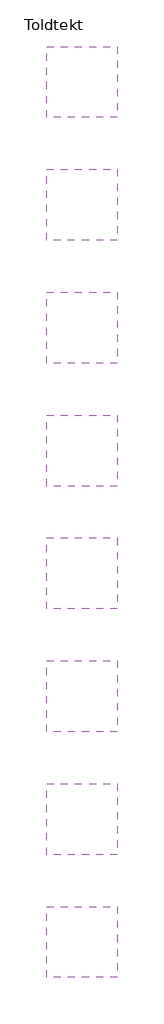
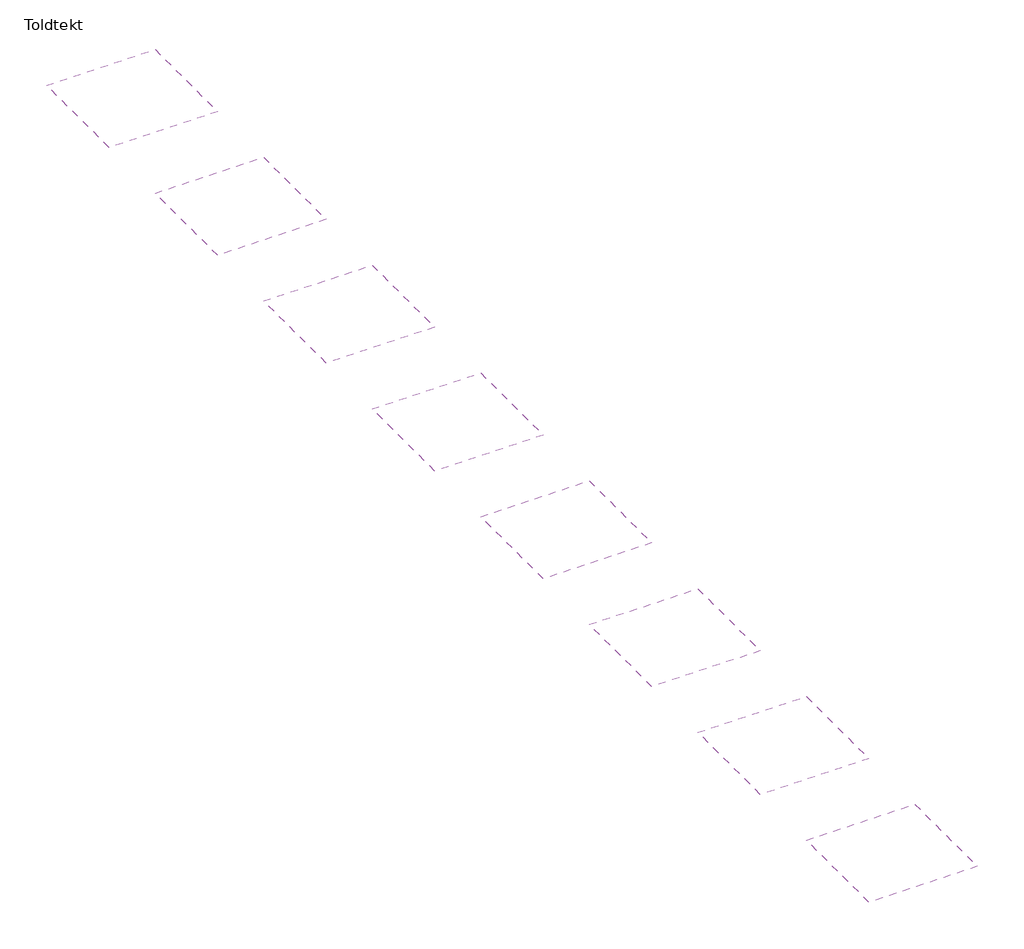
# One storey: 8 coverings.
"""IFC4 building model written with IfcOpenShell, lengths in millimetres."""

from ifc_helpers import new_model, si_unit, frame, origin, place, context, project, spatial, polyline, outline, extrude, element, save

model = new_model("IFC4")

# Units and contexts
model_context = context("Model", 3, world=origin())
ifc_project = project(units=[si_unit("LENGTHUNIT", "METRE", prefix="MILLI")], contexts=[model_context])

# Site, building, storey
site = spatial("IfcSite", under=ifc_project)
building = spatial("IfcBuilding", under=site)
storey = spatial("IfcBuildingStorey", under=building, Name="Toldtekt", Elevation=0.0)

# Coverings
placement = place(None, origin())
element("IfcCovering", 1, at=placement, inside=storey, context=model_context, shape_type="SweptSolid", body=[
    extrude(outline(polyline([(17169.5723108, 34562.9855223), (17169.5723108, 31562.9855223), (14169.5723108, 31562.9855223), (14169.5723108, 34562.9855223), (17169.5723108, 34562.9855223)])), frame((0.0, 0.0, 2600.0), z_axis=(0.0, 0.0, 1.0), x_axis=(1.0, 0.0, 0.0)), (0.0, 0.0, 1.0), 82.8),
])
element("IfcCovering", 2, at=placement, inside=storey, context=model_context, shape_type="SweptSolid", body=[
    extrude(outline(polyline([(17169.5723108, 29362.9976165), (17169.5723108, 26362.9976165), (14169.5723108, 26362.9976165), (14169.5723108, 29362.9976165), (17169.5723108, 29362.9976165)])), frame((0.0, 0.0, 2600.0), z_axis=(0.0, 0.0, 1.0), x_axis=(1.0, 0.0, 0.0)), (0.0, 0.0, 1.0), 82.8),
])
element("IfcCovering", 3, at=placement, inside=storey, context=model_context, shape_type="SweptSolid", body=[
    extrude(outline(polyline([(17169.5723108, 24163.0097108), (17169.5723108, 21163.0097108), (14169.5723108, 21163.0097108), (14169.5723108, 24163.0097108), (17169.5723108, 24163.0097108)])), frame((0.0, 0.0, 2600.0), z_axis=(0.0, 0.0, 1.0), x_axis=(1.0, 0.0, 0.0)), (0.0, 0.0, 1.0), 82.8),
])
element("IfcCovering", 4, at=placement, inside=storey, context=model_context, shape_type="SweptSolid", body=[
    extrude(outline(polyline([(17169.5723108, 13763.0338993), (17169.5723108, 10763.0338993), (14169.5723108, 10763.0338993), (14169.5723108, 13763.0338993), (17169.5723108, 13763.0338993)])), frame((0.0, 0.0, 2600.0), z_axis=(0.0, 0.0, 1.0), x_axis=(1.0, 0.0, 0.0)), (0.0, 0.0, 1.0), 82.8),
])
element("IfcCovering", 5, at=placement, inside=storey, context=model_context, shape_type="SweptSolid", body=[
    extrude(outline(polyline([(17169.5723108, 8563.0459935), (17169.5723108, 5563.0459935), (14169.5723108, 5563.0459935), (14169.5723108, 8563.0459935), (17169.5723108, 8563.0459935)])), frame((0.0, 0.0, 2600.0), z_axis=(0.0, 0.0, 1.0), x_axis=(1.0, 0.0, 0.0)), (0.0, 0.0, 1.0), 82.8),
])
element("IfcCovering", 6, at=placement, inside=storey, context=model_context, shape_type="SweptSolid", body=[
    extrude(outline(polyline([(17169.5723108, 3363.0580878), (17169.5723108, 363.0580878), (14169.5723108, 363.0580878), (14169.5723108, 3363.0580878), (17169.5723108, 3363.0580878)])), frame((0.0, 0.0, 2600.0), z_axis=(0.0, 0.0, 1.0), x_axis=(1.0, 0.0, 0.0)), (0.0, 0.0, 1.0), 82.8),
])
element("IfcCovering", 7, at=placement, inside=storey, context=model_context, shape_type="SweptSolid", body=[
    extrude(outline(polyline([(17169.5723108, 18963.021805), (17169.5723108, 15963.021805), (14169.5723108, 15963.021805), (14169.5723108, 18963.021805), (17169.5723108, 18963.021805)])), frame((0.0, 0.0, 2600.0), z_axis=(0.0, 0.0, 1.0), x_axis=(1.0, 0.0, 0.0)), (0.0, 0.0, 1.0), 82.8),
])
element("IfcCovering", 8, at=placement, inside=storey, context=model_context, shape_type="SweptSolid", body=[
    extrude(outline(polyline([(17169.5723108, -1836.929818), (17169.5723108, -4836.929818), (14169.5723108, -4836.929818), (14169.5723108, -1836.929818), (17169.5723108, -1836.929818)])), frame((0.0, 0.0, 2600.0), z_axis=(0.0, 0.0, 1.0), x_axis=(1.0, 0.0, 0.0)), (0.0, 0.0, 1.0), 82.8),
])

save(model, "model.ifc")
